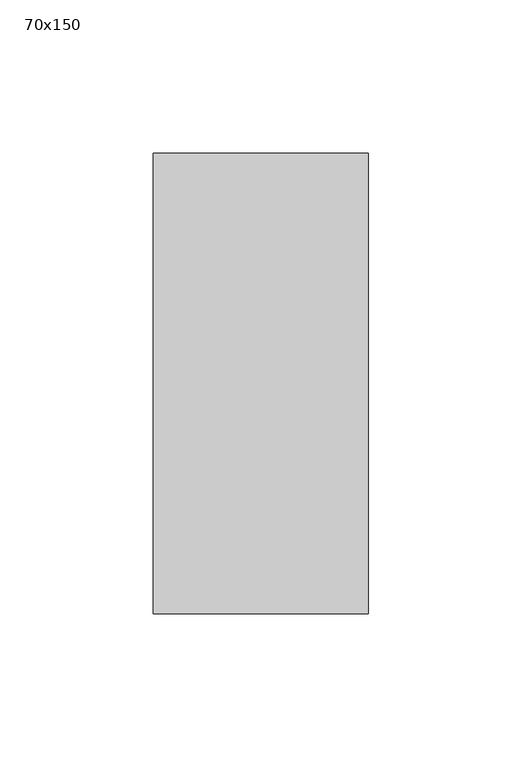
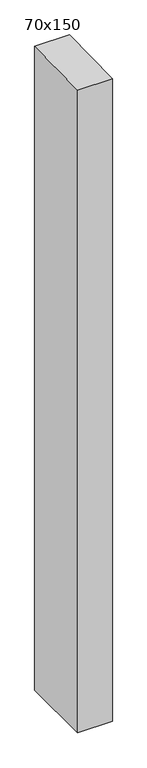
"""IFC4 building model written with IfcOpenShell, lengths in millimetres: member geometry, 70x150."""

from ifc_helpers import new_model, si_unit, frame, origin, place, context, project, spatial, polyline, outline, extrude, source, transform, mapped, element, save


def member_70x150_e5fadf77(model_context):
    return source(origin(), model_context, "Body", "SweptSolid", [
        extrude(outline(polyline([(-75.0, -1.1332028), (75.0, 1.1332028), (75.0, -1371.8279477), (-75.0, -1370.7802835), (-75.0, -1.1332028)])), frame((-70.0, 0.0, 0.0), z_axis=(1.0, 0.0, 0.0), x_axis=(0.0, 1.0, 0.0)), (0.0, 0.0, 1.0), 70.0),
    ])


if __name__ == "__main__":
    model = new_model("IFC4")
    model_context = context("Model", 3, world=origin())
    ifc_project = project(units=[si_unit("LENGTHUNIT", "METRE", prefix="MILLI")], contexts=[model_context])
    site = spatial("IfcSite", under=ifc_project)
    building = spatial("IfcBuilding", under=site)
    placement = place(None, origin())
    member_70x150_shape = member_70x150_e5fadf77(model_context)
    element("IfcMember", 1, ObjectType="70x150", at=placement, inside=building, context=model_context, shape_type="MappedRepresentation", body=[
        mapped(member_70x150_shape, transform((0.0, 0.0, 0.0), x_axis=(1.0, 0.0, 0.0), y_axis=(0.0, 1.0, 0.0), z_axis=(0.0, 0.0, 1.0))),
    ])
    save(model, "model.ifc")
